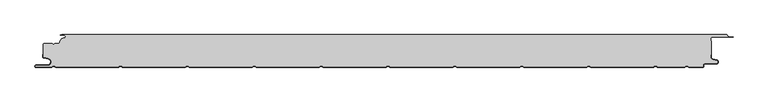
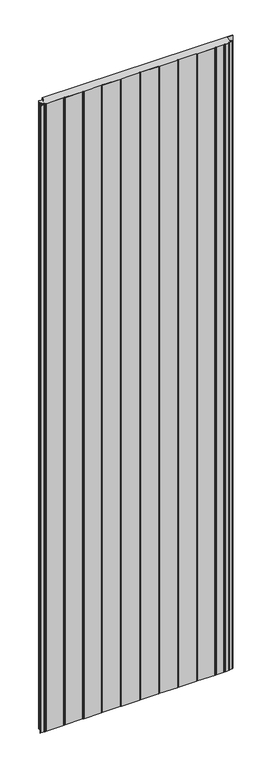
"""IFC4 building model written with IfcOpenShell, lengths in millimetres: plate geometry."""

from ifc_helpers import new_model, si_unit, point, frame, frame_2d, origin, origin_with_axes, place, context, project, spatial, polyline, circle_curve, trimmed, segment, composite_curve, outline, extrude, source, transform, mapped, element, save
from ifc_brep_helpers import plane_surface, cylinder_surface, revolved_surface, advanced_brep


def plate_092382ad(model_context):
    return source(origin(), model_context, "Body", "SolidModel", [
        advanced_brep(
        [(523.8595905, -2.0325427, 3500.0), (522.5460884, -0.8, 3500.0), (-471.6637731, -0.8, 3500.0), (-474.0000003, -1.3234618, 3500.0), (-468.0000003, -1.3234618, 3500.0), (-468.1134423, -5.9206625, 3500.0), (-474.1919837, -12.028303, 3500.0), (-476.0000003, -13.9234618, 3500.0), (-482.1686293, -13.9234618, 3500.0), (-484.0000002, -15.7548327, 3500.0), (-485.831371, -13.9234618, 3500.0), (-497.4, -13.9234618, 3500.0), (-499.2, -15.7234618, 3500.0), (-499.2, -34.0038437, 3500.0), (-498.2083778, -35.185613, 3500.0), (-491.7622998, -36.3222305, 3500.0), (-492.7, -47.0401924, 3500.0), (-509.7, -47.0401924, 3500.0), (-509.7, -49.2401924, 3500.0), (-486.6751286, -49.2401924, 3500.0), (-484.45, -47.9555137, 3500.0), (-482.7606357, -47.9494241, 3500.0), (-480.4557934, -49.2, 3500.0), (-386.6055134, -49.2, 3500.0), (-384.45, -47.9555137, 3500.0), (-382.7606357, -47.9494241, 3500.0), (-380.4557934, -49.2, 3500.0), (-286.6055134, -49.2, 3500.0), (-284.45, -47.9555137, 3500.0), (-282.7606357, -47.9494242, 3500.0), (-280.4557934, -49.2, 3500.0), (-186.6055134, -49.2, 3500.0), (-184.45, -47.9555137, 3500.0), (-182.7606357, -47.9494242, 3500.0), (-180.4557934, -49.2, 3500.0), (-86.6055134, -49.2, 3500.0), (-84.45, -47.9555137, 3500.0), (-82.7606357, -47.9494242, 3500.0), (-80.4557934, -49.2, 3500.0), (13.3944866, -49.2, 3500.0), (15.55, -47.9555137, 3500.0), (17.2393643, -47.9494242, 3500.0), (19.5442066, -49.2, 3500.0), (113.3944866, -49.2, 3500.0), (115.55, -47.9555137, 3500.0), (117.2393643, -47.9494242, 3500.0), (119.5442066, -49.2, 3500.0), (213.3944866, -49.2, 3500.0), (215.55, -47.9555137, 3500.0), (217.2393643, -47.9494242, 3500.0), (219.5442066, -49.2, 3500.0), (313.3944866, -49.2, 3500.0), (315.55, -47.9555137, 3500.0), (317.2393643, -47.9494242, 3500.0), (319.5442066, -49.2, 3500.0), (413.3944866, -49.2, 3500.0), (415.55, -47.9555138, 3500.0), (417.2393643, -47.9494242, 3500.0), (419.5442066, -49.2000001, 3500.0), (460.2243041, -49.2000001, 3500.0), (462.3798174, -47.9555138, 3500.0), (464.0741626, -47.9522634, 3500.0), (466.3793035, -49.2401924, 3500.0), (487.0105556, -49.2401924, 3500.0), (487.6105556, -48.6401924, 3500.0), (487.6105556, -47.2401924, 3500.0), (491.0105556, -43.8401924, 3500.0), (507.5, -43.8401924, 3500.0), (507.9948923, -39.4965783, 3500.0), (501.8351664, -38.0744935, 3500.0), (499.2, -34.7616353, 3500.0), (499.2, -30.6401924, 3500.0), (500.0, -30.6401924, 3500.0), (500.0, -10.3245382, 3500.0), (499.2, -10.3245382, 3500.0), (499.2, -6.8245382, 3500.0), (502.0, -4.0245382, 3500.0), (532.5, -4.0245382, 3500.0), (525.8912786, -3.5911794, 3500.0), (523.8595905, -2.0325427, 0.0), (525.8912786, -3.5911794, 0.0), (532.5, -4.0245382, 0.0), (502.0, -4.0245382, 0.0), (499.2, -6.8245382, 0.0), (499.2, -10.3245382, 0.0), (500.0, -10.3245382, 0.0), (500.0, -30.6401924, 0.0), (499.2, -30.6401924, 0.0), (499.2, -34.7616353, 0.0), (501.8351664, -38.0744935, 0.0), (507.9948923, -39.4965783, 0.0), (507.5, -43.8401924, 0.0), (491.0105556, -43.8401924, 0.0), (487.6105556, -47.2401924, 0.0), (487.6105556, -48.6401924, 0.0), (487.0105556, -49.2401924, 0.0), (466.3793035, -49.2401924, 0.0), (464.0741626, -47.9522634, 0.0), (462.3798174, -47.9555138, 0.0), (460.2243041, -49.2000001, 0.0), (419.5442066, -49.2000001, 0.0), (417.2393643, -47.9494242, 0.0), (415.55, -47.9555138, 0.0), (413.3944866, -49.2, 0.0), (319.5442066, -49.2, 0.0), (317.2393643, -47.9494242, 0.0), (315.55, -47.9555137, 0.0), (313.3944866, -49.2, 0.0), (219.5442066, -49.2, 0.0), (217.2393643, -47.9494242, 0.0), (215.55, -47.9555137, 0.0), (213.3944866, -49.2, 0.0), (119.5442066, -49.2, 0.0), (117.2393643, -47.9494242, 0.0), (115.55, -47.9555137, 0.0), (113.3944866, -49.2, 0.0), (19.5442066, -49.2, 0.0), (17.2393643, -47.9494242, 0.0), (15.55, -47.9555137, 0.0), (13.3944866, -49.2, 0.0), (-80.4557934, -49.2, 0.0), (-82.7606357, -47.9494242, 0.0), (-84.45, -47.9555137, 0.0), (-86.6055134, -49.2, 0.0), (-180.4557934, -49.2, 0.0), (-182.7606357, -47.9494242, 0.0), (-184.45, -47.9555137, 0.0), (-186.6055134, -49.2, 0.0), (-280.4557934, -49.2, 0.0), (-282.7606357, -47.9494242, 0.0), (-284.45, -47.9555137, 0.0), (-286.6055134, -49.2, 0.0), (-380.4557934, -49.2, 0.0), (-382.7606357, -47.9494241, 0.0), (-384.45, -47.9555137, 0.0), (-386.6055134, -49.2, 0.0), (-480.4557934, -49.2, 0.0), (-482.7606357, -47.9494241, 0.0), (-484.45, -47.9555137, 0.0), (-486.6751286, -49.2401924, 0.0), (-509.7, -49.2401924, 0.0), (-509.7, -47.0401924, 0.0), (-492.7, -47.0401924, 0.0), (-491.7622998, -36.3222305, 0.0), (-498.2083778, -35.185613, 0.0), (-499.2, -34.0038437, 0.0), (-499.2, -15.7234618, 0.0), (-497.4, -13.9234618, 0.0), (-485.831371, -13.9234618, 0.0), (-484.0000002, -15.7548327, 0.0), (-482.1686293, -13.9234618, 0.0), (-476.0000003, -13.9234618, 0.0), (-474.2024882, -12.0288559, 0.0), (-468.1139291, -5.930521, 0.0), (-468.0000003, -1.3234618, 0.0), (-474.0000003, -1.3234618, 0.0), (-471.6637731, -0.8, 0.0), (522.5460884, -0.8, 0.0)],
        [
            (0, 1, circle_curve(frame((522.5460884, -2.116161, 3500.0), z_axis=(0.0, 0.0, 1.0), x_axis=(1.0, 0.0, 0.0)), 1.316161)),
            (1, 2),
            (2, 3),
            (3, 4),
            (4, 5, circle_curve(frame((-468.0000003, -3.6234618, 3500.0), z_axis=(0.0, 0.0, -1.0), x_axis=(1.0, 0.0, 0.0)), 2.3)),
            (5, 6, circle_curve(frame((-468.4000003, -11.7234618, 3500.0), z_axis=(0.0, 0.0, 1.0), x_axis=(1.0, 0.0, 0.0)), 5.8)),
            (6, 7, circle_curve(frame((-476.0000003, -12.1234618, 3500.0), z_axis=(0.0, 0.0, -1.0), x_axis=(1.0, 0.0, 0.0)), 1.8)),
            (7, 8),
            (8, 9),
            (9, 10),
            (10, 11),
            (11, 12, circle_curve(frame((-497.4, -15.7234618, 3500.0), z_axis=(0.0, 0.0, 1.0), x_axis=(1.0, 0.0, 0.0)), 1.8)),
            (12, 13),
            (13, 14, circle_curve(frame((-498.0, -34.0038437, 3500.0), z_axis=(0.0, 0.0, 1.0), x_axis=(1.0, 0.0, 0.0)), 1.2)),
            (14, 15),
            (15, 16, circle_curve(frame((-492.7, -41.6401924, 3500.0), z_axis=(0.0, 0.0, -1.0), x_axis=(1.0, 0.0, 0.0)), 5.4)),
            (16, 17),
            (17, 18, circle_curve(frame((-509.7, -48.1401924, 3500.0), z_axis=(0.0, 0.0, 1.0), x_axis=(1.0, 0.0, 0.0)), 1.1)),
            (18, 19),
            (19, 20),
            (20, 21, circle_curve(frame((-483.6, -49.4277569, 3500.0), z_axis=(0.0, 0.0, -1.0), x_axis=(1.0, 0.0, 0.0)), 1.7)),
            (21, 22),
            (22, 23),
            (23, 24),
            (24, 25, circle_curve(frame((-383.6, -49.4277569, 3500.0), z_axis=(0.0, 0.0, -1.0), x_axis=(1.0, 0.0, 0.0)), 1.7)),
            (25, 26),
            (26, 27),
            (27, 28),
            (28, 29, circle_curve(frame((-283.6, -49.4277569, 3500.0), z_axis=(0.0, 0.0, -1.0), x_axis=(1.0, 0.0, 0.0)), 1.7)),
            (29, 30),
            (30, 31),
            (31, 32),
            (32, 33, circle_curve(frame((-183.6, -49.4277569, 3500.0), z_axis=(0.0, 0.0, -1.0), x_axis=(1.0, 0.0, 0.0)), 1.7)),
            (33, 34),
            (34, 35),
            (35, 36),
            (36, 37, circle_curve(frame((-83.6, -49.4277569, 3500.0), z_axis=(0.0, 0.0, -1.0), x_axis=(1.0, 0.0, 0.0)), 1.7)),
            (37, 38),
            (38, 39),
            (39, 40),
            (40, 41, circle_curve(frame((16.4, -49.4277569, 3500.0), z_axis=(0.0, 0.0, -1.0), x_axis=(1.0, 0.0, 0.0)), 1.7)),
            (41, 42),
            (42, 43),
            (43, 44),
            (44, 45, circle_curve(frame((116.4, -49.4277569, 3500.0), z_axis=(0.0, 0.0, -1.0), x_axis=(1.0, 0.0, 0.0)), 1.7)),
            (45, 46),
            (46, 47),
            (47, 48),
            (48, 49, circle_curve(frame((216.4, -49.4277569, 3500.0), z_axis=(0.0, 0.0, -1.0), x_axis=(1.0, 0.0, 0.0)), 1.7)),
            (49, 50),
            (50, 51),
            (51, 52),
            (52, 53, circle_curve(frame((316.4, -49.4277569, 3500.0), z_axis=(0.0, 0.0, -1.0), x_axis=(1.0, 0.0, 0.0)), 1.7)),
            (53, 54),
            (54, 55),
            (55, 56),
            (56, 57, circle_curve(frame((416.4, -49.4277569, 3500.0), z_axis=(0.0, 0.0, -1.0), x_axis=(1.0, 0.0, 0.0)), 1.7)),
            (57, 58),
            (58, 59),
            (59, 60),
            (60, 61, circle_curve(frame((463.2298174, -49.4277569, 3500.0), z_axis=(0.0, 0.0, -1.0), x_axis=(1.0, 0.0, 0.0)), 1.7)),
            (61, 62),
            (62, 63),
            (63, 64, circle_curve(frame((487.0105556, -48.6401924, 3500.0), z_axis=(0.0, 0.0, 1.0), x_axis=(1.0, 0.0, 0.0)), 0.6)),
            (64, 65),
            (65, 66, circle_curve(frame((491.0105556, -47.2401924, 3500.0), z_axis=(0.0, 0.0, -1.0), x_axis=(1.0, 0.0, 0.0)), 3.4)),
            (66, 67),
            (67, 68, circle_curve(frame((507.5, -41.6401924, 3500.0), z_axis=(0.0, 0.0, 1.0), x_axis=(1.0, 0.0, 0.0)), 2.2)),
            (68, 69),
            (69, 70, circle_curve(frame((502.6, -34.7616353, 3500.0), z_axis=(0.0, 0.0, -1.0), x_axis=(1.0, 0.0, 0.0)), 3.4)),
            (70, 71),
            (71, 72),
            (72, 73),
            (73, 74),
            (74, 75),
            (75, 76, circle_curve(frame((502.0, -6.8245382, 3500.0), z_axis=(0.0, 0.0, -1.0), x_axis=(1.0, 0.0, 0.0)), 2.8)),
            (76, 77),
            (77, 78),
            (78, 0, circle_curve(frame((525.5561562, -1.9245382, 3500.0), z_axis=(0.0, 0.0, -1.0), x_axis=(1.0, 0.0, 0.0)), 1.7)),
            (79, 80, circle_curve(frame((525.5561562, -1.9245382, 0.0), z_axis=(0.0, 0.0, 1.0), x_axis=(1.0, 0.0, 0.0)), 1.7)),
            (80, 81),
            (81, 82),
            (82, 83, circle_curve(frame((502.0, -6.8245382, 0.0), z_axis=(0.0, 0.0, 1.0), x_axis=(1.0, 0.0, 0.0)), 2.8)),
            (83, 84),
            (84, 85),
            (85, 86),
            (86, 87),
            (87, 88),
            (88, 89, circle_curve(frame((502.6, -34.7616353, 0.0), z_axis=(0.0, 0.0, 1.0), x_axis=(1.0, 0.0, 0.0)), 3.4)),
            (89, 90),
            (90, 91, circle_curve(frame((507.5, -41.6401924, 0.0), z_axis=(0.0, 0.0, -1.0), x_axis=(1.0, 0.0, 0.0)), 2.2)),
            (91, 92),
            (92, 93, circle_curve(frame((491.0105556, -47.2401924, 0.0), z_axis=(0.0, 0.0, 1.0), x_axis=(1.0, 0.0, 0.0)), 3.4)),
            (93, 94),
            (94, 95, circle_curve(frame((487.0105556, -48.6401924, 0.0), z_axis=(0.0, 0.0, -1.0), x_axis=(1.0, 0.0, 0.0)), 0.6)),
            (95, 96),
            (96, 97),
            (97, 98, circle_curve(frame((463.2298174, -49.4277569, 0.0), z_axis=(0.0, 0.0, 1.0), x_axis=(1.0, 0.0, 0.0)), 1.7)),
            (98, 99),
            (99, 100),
            (100, 101),
            (101, 102, circle_curve(frame((416.4, -49.4277569, 0.0), z_axis=(0.0, 0.0, 1.0), x_axis=(1.0, 0.0, 0.0)), 1.7)),
            (102, 103),
            (103, 104),
            (104, 105),
            (105, 106, circle_curve(frame((316.4, -49.4277569, 0.0), z_axis=(0.0, 0.0, 1.0), x_axis=(1.0, 0.0, 0.0)), 1.7)),
            (106, 107),
            (107, 108),
            (108, 109),
            (109, 110, circle_curve(frame((216.4, -49.4277569, 0.0), z_axis=(0.0, 0.0, 1.0), x_axis=(1.0, 0.0, 0.0)), 1.7)),
            (110, 111),
            (111, 112),
            (112, 113),
            (113, 114, circle_curve(frame((116.4, -49.4277569, 0.0), z_axis=(0.0, 0.0, 1.0), x_axis=(1.0, 0.0, 0.0)), 1.7)),
            (114, 115),
            (115, 116),
            (116, 117),
            (117, 118, circle_curve(frame((16.4, -49.4277569, 0.0), z_axis=(0.0, 0.0, 1.0), x_axis=(1.0, 0.0, 0.0)), 1.7)),
            (118, 119),
            (119, 120),
            (120, 121),
            (121, 122, circle_curve(frame((-83.6, -49.4277569, 0.0), z_axis=(0.0, 0.0, 1.0), x_axis=(1.0, 0.0, 0.0)), 1.7)),
            (122, 123),
            (123, 124),
            (124, 125),
            (125, 126, circle_curve(frame((-183.6, -49.4277569, 0.0), z_axis=(0.0, 0.0, 1.0), x_axis=(1.0, 0.0, 0.0)), 1.7)),
            (126, 127),
            (127, 128),
            (128, 129),
            (129, 130, circle_curve(frame((-283.6, -49.4277569, 0.0), z_axis=(0.0, 0.0, 1.0), x_axis=(1.0, 0.0, 0.0)), 1.7)),
            (130, 131),
            (131, 132),
            (132, 133),
            (133, 134, circle_curve(frame((-383.6, -49.4277569, 0.0), z_axis=(0.0, 0.0, 1.0), x_axis=(1.0, 0.0, 0.0)), 1.7)),
            (134, 135),
            (135, 136),
            (136, 137),
            (137, 138, circle_curve(frame((-483.6, -49.4277569, 0.0), z_axis=(0.0, 0.0, 1.0), x_axis=(1.0, 0.0, 0.0)), 1.7)),
            (138, 139),
            (139, 140),
            (140, 141, circle_curve(frame((-509.7, -48.1401924, 0.0), z_axis=(0.0, 0.0, -1.0), x_axis=(1.0, 0.0, 0.0)), 1.1)),
            (141, 142),
            (142, 143, circle_curve(frame((-492.7, -41.6401924, 0.0), z_axis=(0.0, 0.0, 1.0), x_axis=(1.0, 0.0, 0.0)), 5.4)),
            (143, 144),
            (144, 145, circle_curve(frame((-498.0, -34.0038437, 0.0), z_axis=(0.0, 0.0, -1.0), x_axis=(1.0, 0.0, 0.0)), 1.2)),
            (145, 146),
            (146, 147, circle_curve(frame((-497.4, -15.7234618, 0.0), z_axis=(0.0, 0.0, -1.0), x_axis=(1.0, 0.0, 0.0)), 1.8)),
            (147, 148),
            (148, 149),
            (149, 150),
            (150, 151),
            (151, 152, circle_curve(frame((-476.0000003, -12.1234618, 0.0), z_axis=(0.0, 0.0, 1.0), x_axis=(1.0, 0.0, 0.0)), 1.8)),
            (152, 153, circle_curve(frame((-468.4000003, -11.7234618, 0.0), z_axis=(0.0, 0.0, -1.0), x_axis=(1.0, 0.0, 0.0)), 5.8)),
            (153, 154, circle_curve(frame((-468.0000003, -3.6234618, 0.0), z_axis=(0.0, 0.0, 1.0), x_axis=(1.0, 0.0, 0.0)), 2.3)),
            (154, 155),
            (155, 156),
            (156, 157),
            (157, 79, circle_curve(frame((522.5460884, -2.116161, 0.0), z_axis=(0.0, 0.0, -1.0), x_axis=(1.0, 0.0, 0.0)), 1.316161)),
            (0, 79),
            (157, 1),
            (156, 2),
            (155, 3),
            (154, 4),
            (153, 5),
            (152, 6),
            (151, 7),
            (150, 8),
            (149, 9),
            (148, 10),
            (147, 11),
            (146, 12),
            (145, 13),
            (144, 14),
            (143, 15),
            (142, 16),
            (141, 17),
            (140, 18),
            (139, 19),
            (138, 20),
            (137, 21),
            (136, 22),
            (135, 23),
            (134, 24),
            (133, 25),
            (132, 26),
            (131, 27),
            (130, 28),
            (129, 29),
            (128, 30),
            (127, 31),
            (126, 32),
            (125, 33),
            (124, 34),
            (123, 35),
            (122, 36),
            (121, 37),
            (120, 38),
            (119, 39),
            (118, 40),
            (117, 41),
            (116, 42),
            (115, 43),
            (114, 44),
            (113, 45),
            (112, 46),
            (111, 47),
            (110, 48),
            (109, 49),
            (108, 50),
            (107, 51),
            (106, 52),
            (105, 53),
            (104, 54),
            (103, 55),
            (102, 56),
            (101, 57),
            (100, 58),
            (99, 59),
            (98, 60),
            (97, 61),
            (96, 62),
            (95, 63),
            (94, 64),
            (93, 65),
            (92, 66),
            (91, 67),
            (90, 68),
            (89, 69),
            (88, 70),
            (87, 71),
            (86, 72),
            (85, 73),
            (84, 74),
            (83, 75),
            (82, 76),
            (81, 77),
            (80, 78),
        ],
        [
            plane_surface(frame((-500.0, -50.0, 3500.0), z_axis=(0.0, 0.0, 1.0), x_axis=(0.0, 1.0, 0.0))),
            plane_surface(frame((-500.0, -50.0, 0.0), z_axis=(0.0, 0.0, -1.0), x_axis=(0.0, 1.0, 0.0))),
            cylinder_surface(frame((522.5460884, -2.116161, 3500.0), z_axis=(0.0, 0.0, 1.0), x_axis=(1.0, 0.0, 0.0)), 1.316161),
            plane_surface(frame((522.5460884, -0.8, 3500.0), z_axis=(0.0, 1.0, 0.0), x_axis=(0.0, 0.0, -1.0))),
            plane_surface(frame((-471.6637731, -0.8, 3500.0), z_axis=(-0.21864173282830476, 0.9758052022129398, 0.0), x_axis=(0.0, 0.0, -1.0))),
            plane_surface(frame((-474.0000003, -1.3234618, 3500.0), z_axis=(0.0, -1.0, 0.0), x_axis=(0.0, 0.0, -1.0))),
            revolved_surface(polyline([(-465.7000003, -3.6234618, 0.0), (-465.7000003, -3.6234618, 3500.0)]), (-468.0000003, -3.6234618, 3500.0), (0.0, 0.0, -1.0)),
            cylinder_surface(frame((-468.4000003, -11.7234618, 3500.0), z_axis=(0.0, 0.0, 1.0), x_axis=(1.0, 0.0, 0.0)), 5.8),
            revolved_surface(polyline([(-474.2000003, -12.1234618, 0.0), (-474.2000003, -12.1234618, 3500.0)]), (-476.0000003, -12.1234618, 3500.0), (0.0, 0.0, -1.0)),
            plane_surface(frame((-476.0000003, -13.9234618, 3500.0), z_axis=(0.0, 1.0, 0.0), x_axis=(0.0, 0.0, -1.0))),
            plane_surface(frame((-482.1686293, -13.9234618, 3500.0), z_axis=(-0.7071067810231778, 0.7071067813499173, 0.0), x_axis=(0.0, 0.0, -1.0))),
            plane_surface(frame((-484.0000002, -15.7548327, 3500.0), z_axis=(0.7071067813499173, 0.7071067810231778, 0.0), x_axis=(0.0, 0.0, -1.0))),
            plane_surface(frame((-485.831371, -13.9234618, 3500.0), z_axis=(0.0, 1.0, 0.0), x_axis=(0.0, 0.0, -1.0))),
            cylinder_surface(frame((-497.4, -15.7234618, 3500.0), z_axis=(0.0, 0.0, 1.0), x_axis=(1.0, 0.0, 0.0)), 1.8),
            plane_surface(frame((-499.2, -17.1226667, 3500.0), z_axis=(-1.0, 0.0, 0.0), x_axis=(0.0, 0.0, -1.0))),
            cylinder_surface(frame((-498.0, -34.0038437, 3500.0), z_axis=(0.0, 0.0, 1.0), x_axis=(1.0, 0.0, 0.0)), 1.2),
            plane_surface(frame((-498.2083778, -35.185613, 3500.0), z_axis=(-0.1736481776669248, -0.984807753012209, 0.0), x_axis=(0.0, 0.0, -1.0))),
            revolved_surface(polyline([(-487.3, -41.6401924, 0.0), (-487.3, -41.6401924, 3500.0)]), (-492.7, -41.6401924, 3500.0), (0.0, 0.0, -1.0)),
            plane_surface(frame((-492.7, -47.0401924, 3500.0), z_axis=(0.0, 1.0, 0.0), x_axis=(0.0, 0.0, -1.0))),
            cylinder_surface(frame((-509.7, -48.1401924, 3500.0), z_axis=(0.0, 0.0, 1.0), x_axis=(1.0, 0.0, 0.0)), 1.1),
            plane_surface(frame((-509.7, -49.2401924, 3500.0), z_axis=(0.0, -1.0, 0.0), x_axis=(0.0, 0.0, -1.0))),
            plane_surface(frame((-486.6751286, -49.2401924, 3500.0), z_axis=(0.5000000299311667, -0.8660253865036709, 0.0), x_axis=(0.0, 0.0, -1.0))),
            revolved_surface(polyline([(-481.90000000000003, -49.4277569, 0.0), (-481.90000000000003, -49.4277569, 3500.0)]), (-483.6, -49.4277569, 3500.0), (0.0, 0.0, -1.0)),
            plane_surface(frame((-482.7606357, -47.9494241, 3500.0), z_axis=(-0.47690797328217005, -0.878953232555574, 0.0), x_axis=(0.0, 0.0, -1.0))),
            plane_surface(frame((-480.4557934, -49.2, 3500.0), z_axis=(0.0, -1.0, 0.0), x_axis=(0.0, 0.0, -1.0))),
            plane_surface(frame((-386.6055134, -49.2, 3500.0), z_axis=(0.5000000299307237, -0.8660253865039267, 0.0), x_axis=(0.0, 0.0, -1.0))),
            revolved_surface(polyline([(-381.90000000000003, -49.4277569, 0.0), (-381.90000000000003, -49.4277569, 3500.0)]), (-383.6, -49.4277569, 3500.0), (0.0, 0.0, -1.0)),
            plane_surface(frame((-382.7606357, -47.9494241, 3500.0), z_axis=(-0.4769079732821666, -0.8789532325555759, 0.0), x_axis=(0.0, 0.0, -1.0))),
            plane_surface(frame((-380.4557934, -49.2, 3500.0), z_axis=(0.0, -1.0, 0.0), x_axis=(0.0, 0.0, -1.0))),
            plane_surface(frame((-286.6055134, -49.2, 3500.0), z_axis=(0.5000000299311692, -0.8660253865036693, 0.0), x_axis=(0.0, 0.0, -1.0))),
            revolved_surface(polyline([(-281.90000000000003, -49.4277569, 0.0), (-281.90000000000003, -49.4277569, 3500.0)]), (-283.6, -49.4277569, 3500.0), (0.0, 0.0, -1.0)),
            plane_surface(frame((-282.7606357, -47.9494242, 3500.0), z_axis=(-0.4769079732821966, -0.8789532325555597, 0.0), x_axis=(0.0, 0.0, -1.0))),
            plane_surface(frame((-280.4557934, -49.2, 3500.0), z_axis=(0.0, -1.0, 0.0), x_axis=(0.0, 0.0, -1.0))),
            plane_surface(frame((-186.6055134, -49.2, 3500.0), z_axis=(0.5000000299307252, -0.8660253865039258, 0.0), x_axis=(0.0, 0.0, -1.0))),
            revolved_surface(polyline([(-181.9, -49.4277569, 0.0), (-181.9, -49.4277569, 3500.0)]), (-183.6, -49.4277569, 3500.0), (0.0, 0.0, -1.0)),
            plane_surface(frame((-182.7606357, -47.9494242, 3500.0), z_axis=(-0.4769079732823461, -0.8789532325554785, 0.0), x_axis=(0.0, 0.0, -1.0))),
            plane_surface(frame((-180.4557934, -49.2, 3500.0), z_axis=(0.0, -1.0, 0.0), x_axis=(0.0, 0.0, -1.0))),
            plane_surface(frame((-86.6055134, -49.2, 3500.0), z_axis=(0.5000000299313181, -0.8660253865035835, 0.0), x_axis=(0.0, 0.0, -1.0))),
            revolved_surface(polyline([(-81.89999999999999, -49.4277569, 0.0), (-81.89999999999999, -49.4277569, 3500.0)]), (-83.6, -49.4277569, 3500.0), (0.0, 0.0, -1.0)),
            plane_surface(frame((-82.7606357, -47.9494242, 3500.0), z_axis=(-0.4769079732823407, -0.8789532325554815, 0.0), x_axis=(0.0, 0.0, -1.0))),
            plane_surface(frame((-80.4557934, -49.2, 3500.0), z_axis=(0.0, -1.0, 0.0), x_axis=(0.0, 0.0, -1.0))),
            plane_surface(frame((13.3944866, -49.2, 3500.0), z_axis=(0.500000029930723, -0.866025386503927, 0.0), x_axis=(0.0, 0.0, -1.0))),
            revolved_surface(polyline([(18.099999999999998, -49.4277569, 0.0), (18.099999999999998, -49.4277569, 3500.0)]), (16.4, -49.4277569, 3500.0), (0.0, 0.0, -1.0)),
            plane_surface(frame((17.2393643, -47.9494242, 3500.0), z_axis=(-0.4769079732822356, -0.8789532325555385, 0.0), x_axis=(0.0, 0.0, -1.0))),
            plane_surface(frame((19.5442066, -49.2, 3500.0), z_axis=(0.0, -1.0, 0.0), x_axis=(0.0, 0.0, -1.0))),
            plane_surface(frame((113.3944866, -49.2, 3500.0), z_axis=(0.5000000299311671, -0.8660253865036706, 0.0), x_axis=(0.0, 0.0, -1.0))),
            revolved_surface(polyline([(118.10000000000001, -49.4277569, 0.0), (118.10000000000001, -49.4277569, 3500.0)]), (116.4, -49.4277569, 3500.0), (0.0, 0.0, -1.0)),
            plane_surface(frame((117.2393643, -47.9494242, 3500.0), z_axis=(-0.4769079732821772, -0.8789532325555701, 0.0), x_axis=(0.0, 0.0, -1.0))),
            plane_surface(frame((119.5442066, -49.2, 3500.0), z_axis=(0.0, -1.0, 0.0), x_axis=(0.0, 0.0, -1.0))),
            plane_surface(frame((213.3944866, -49.2, 3500.0), z_axis=(0.5000000299307268, -0.8660253865039248, 0.0), x_axis=(0.0, 0.0, -1.0))),
            revolved_surface(polyline([(218.1, -49.4277569, 0.0), (218.1, -49.4277569, 3500.0)]), (216.4, -49.4277569, 3500.0), (0.0, 0.0, -1.0)),
            plane_surface(frame((217.2393643, -47.9494242, 3500.0), z_axis=(-0.4769079732821906, -0.8789532325555629, 0.0), x_axis=(0.0, 0.0, -1.0))),
            plane_surface(frame((219.5442066, -49.2, 3500.0), z_axis=(0.0, -1.0, 0.0), x_axis=(0.0, 0.0, -1.0))),
            plane_surface(frame((313.3944866, -49.2, 3500.0), z_axis=(0.5000000299311079, -0.8660253865037049, 0.0), x_axis=(0.0, 0.0, -1.0))),
            revolved_surface(polyline([(318.09999999999997, -49.4277569, 0.0), (318.09999999999997, -49.4277569, 3500.0)]), (316.4, -49.4277569, 3500.0), (0.0, 0.0, -1.0)),
            plane_surface(frame((317.2393643, -47.9494242, 3500.0), z_axis=(-0.476907973282159, -0.8789532325555801, 0.0), x_axis=(0.0, 0.0, -1.0))),
            plane_surface(frame((319.5442066, -49.2, 3500.0), z_axis=(0.0, -1.0, 0.0), x_axis=(0.0, 0.0, -1.0))),
            plane_surface(frame((413.3944866, -49.2, 3500.0), z_axis=(0.5000000299307292, -0.8660253865039235, 0.0), x_axis=(0.0, 0.0, -1.0))),
            revolved_surface(polyline([(418.09999999999997, -49.4277569, 0.0), (418.09999999999997, -49.4277569, 3500.0)]), (416.4, -49.4277569, 3500.0), (0.0, 0.0, -1.0)),
            plane_surface(frame((417.2393643, -47.9494242, 3500.0), z_axis=(-0.47690797328237156, -0.8789532325554646, 0.0), x_axis=(0.0, 0.0, -1.0))),
            plane_surface(frame((419.5442066, -49.2000001, 3500.0), z_axis=(0.0, -1.0, 0.0), x_axis=(0.0, 0.0, -1.0))),
            plane_surface(frame((460.2243041, -49.2000001, 3500.0), z_axis=(0.5000000299306834, -0.86602538650395, 0.0), x_axis=(0.0, 0.0, -1.0))),
            revolved_surface(polyline([(464.9298174, -49.4277569, 0.0), (464.9298174, -49.4277569, 3500.0)]), (463.2298174, -49.4277569, 3500.0), (0.0, 0.0, -1.0)),
            plane_surface(frame((464.0741626, -47.9522634, 3500.0), z_axis=(-0.48775269747067673, -0.8729818475260975, 0.0), x_axis=(0.0, 0.0, -1.0))),
            plane_surface(frame((466.3793035, -49.2401924, 3500.0), z_axis=(0.0, -1.0, 0.0), x_axis=(0.0, 0.0, -1.0))),
            cylinder_surface(frame((487.0105556, -48.6401924, 3500.0), z_axis=(0.0, 0.0, 1.0), x_axis=(1.0, 0.0, 0.0)), 0.6),
            plane_surface(frame((487.6105556, -48.6401924, 3500.0), z_axis=(1.0, 0.0, 0.0), x_axis=(0.0, 0.0, -1.0))),
            revolved_surface(polyline([(494.41055559999995, -47.2401924, 0.0), (494.41055559999995, -47.2401924, 3500.0)]), (491.0105556, -47.2401924, 3500.0), (0.0, 0.0, -1.0)),
            plane_surface(frame((491.0105556, -43.8401924, 3500.0), z_axis=(0.0, -1.0, 0.0), x_axis=(0.0, 0.0, -1.0))),
            cylinder_surface(frame((507.5, -41.6401924, 3500.0), z_axis=(0.0, 0.0, 1.0), x_axis=(1.0, 0.0, 0.0)), 2.2),
            plane_surface(frame((507.9948923, -39.4965783, 3500.0), z_axis=(0.22495105434371662, 0.9743700647852696, 0.0), x_axis=(0.0, 0.0, -1.0))),
            revolved_surface(polyline([(506.0, -34.7616353, 0.0), (506.0, -34.7616353, 3500.0)]), (502.6, -34.7616353, 3500.0), (0.0, 0.0, -1.0)),
            plane_surface(frame((499.2, -34.7616353, 3500.0), z_axis=(1.0, 0.0, 0.0), x_axis=(0.0, 0.0, -1.0))),
            plane_surface(frame((499.2, -30.6401924, 3500.0), z_axis=(0.0, -1.0, 0.0), x_axis=(0.0, 0.0, -1.0))),
            plane_surface(frame((500.0, -30.6401924, 3500.0), z_axis=(1.0, 0.0, 0.0), x_axis=(0.0, 0.0, -1.0))),
            plane_surface(frame((500.0, -10.3245382, 3500.0), z_axis=(0.0, 1.0, 0.0), x_axis=(0.0, 0.0, -1.0))),
            plane_surface(frame((499.2, -10.3245382, 3500.0), z_axis=(1.0, 0.0, 0.0), x_axis=(0.0, 0.0, -1.0))),
            revolved_surface(polyline([(504.8, -6.8245382, 0.0), (504.8, -6.8245382, 3500.0)]), (502.0, -6.8245382, 3500.0), (0.0, 0.0, -1.0)),
            plane_surface(frame((502.0, -4.0245382, 3500.0), z_axis=(0.0, -1.0, 0.0), x_axis=(0.0, 0.0, -1.0))),
            plane_surface(frame((532.5, -4.0245382, 3500.0), z_axis=(0.06543324256082143, 0.9978569490503019, 0.0), x_axis=(0.0, 0.0, -1.0))),
            revolved_surface(polyline([(527.2561562000001, -1.9245382, 0.0), (527.2561562000001, -1.9245382, 3500.0)]), (525.5561562, -1.9245382, 3500.0), (0.0, 0.0, -1.0)),
        ],
        [
            (0, [[1, 2, 3, 4, 5, 6, 7, 8, 9, 10, 11, 12, 13, 14, 15, 16, 17, 18, 19, 20, 21, 22, 23, 24, 25, 26, 27, 28, 29, 30, 31, 32, 33, 34, 35, 36, 37, 38, 39, 40, 41, 42, 43, 44, 45, 46, 47, 48, 49, 50, 51, 52, 53, 54, 55, 56, 57, 58, 59, 60, 61, 62, 63, 64, 65, 66, 67, 68, 69, 70, 71, 72, 73, 74, 75, 76, 77, 78, 79]]),
            (1, [[80, 81, 82, 83, 84, 85, 86, 87, 88, 89, 90, 91, 92, 93, 94, 95, 96, 97, 98, 99, 100, 101, 102, 103, 104, 105, 106, 107, 108, 109, 110, 111, 112, 113, 114, 115, 116, 117, 118, 119, 120, 121, 122, 123, 124, 125, 126, 127, 128, 129, 130, 131, 132, 133, 134, 135, 136, 137, 138, 139, 140, 141, 142, 143, 144, 145, 146, 147, 148, 149, 150, 151, 152, 153, 154, 155, 156, 157, 158]]),
            (2, [[-1, 159, -158, 160]]),
            (3, [[-2, -160, -157, 161]]),
            (4, [[-3, -161, -156, 162]]),
            (5, [[-4, -162, -155, 163]]),
            (6, [[-5, -163, -154, 164]]),
            (7, [[-6, -164, -153, 165]]),
            (8, [[-7, -165, -152, 166]]),
            (9, [[-8, -166, -151, 167]]),
            (10, [[-9, -167, -150, 168]]),
            (11, [[-10, -168, -149, 169]]),
            (12, [[-11, -169, -148, 170]]),
            (13, [[-12, -170, -147, 171]]),
            (14, [[-171, -146, 172, -13]]),
            (15, [[-14, -172, -145, 173]]),
            (16, [[-15, -173, -144, 174]]),
            (17, [[-16, -174, -143, 175]]),
            (18, [[-17, -175, -142, 176]]),
            (19, [[-18, -176, -141, 177]]),
            (20, [[-19, -177, -140, 178]]),
            (21, [[-20, -178, -139, 179]]),
            (22, [[-21, -179, -138, 180]]),
            (23, [[-22, -180, -137, 181]]),
            (24, [[-23, -181, -136, 182]]),
            (25, [[-24, -182, -135, 183]]),
            (26, [[-25, -183, -134, 184]]),
            (27, [[-26, -184, -133, 185]]),
            (28, [[-27, -185, -132, 186]]),
            (29, [[-28, -186, -131, 187]]),
            (30, [[-29, -187, -130, 188]]),
            (31, [[-30, -188, -129, 189]]),
            (32, [[-31, -189, -128, 190]]),
            (33, [[-32, -190, -127, 191]]),
            (34, [[-33, -191, -126, 192]]),
            (35, [[-34, -192, -125, 193]]),
            (36, [[-35, -193, -124, 194]]),
            (37, [[-36, -194, -123, 195]]),
            (38, [[-37, -195, -122, 196]]),
            (39, [[-38, -196, -121, 197]]),
            (40, [[-39, -197, -120, 198]]),
            (41, [[-40, -198, -119, 199]]),
            (42, [[-41, -199, -118, 200]]),
            (43, [[-42, -200, -117, 201]]),
            (44, [[-43, -201, -116, 202]]),
            (45, [[-44, -202, -115, 203]]),
            (46, [[-45, -203, -114, 204]]),
            (47, [[-46, -204, -113, 205]]),
            (48, [[-47, -205, -112, 206]]),
            (49, [[-48, -206, -111, 207]]),
            (50, [[-49, -207, -110, 208]]),
            (51, [[-50, -208, -109, 209]]),
            (52, [[-51, -209, -108, 210]]),
            (53, [[-52, -210, -107, 211]]),
            (54, [[-53, -211, -106, 212]]),
            (55, [[-54, -212, -105, 213]]),
            (56, [[-55, -213, -104, 214]]),
            (57, [[-56, -214, -103, 215]]),
            (58, [[-57, -215, -102, 216]]),
            (59, [[-58, -216, -101, 217]]),
            (60, [[-59, -217, -100, 218]]),
            (61, [[-60, -218, -99, 219]]),
            (62, [[-61, -219, -98, 220]]),
            (63, [[-62, -220, -97, 221]]),
            (64, [[-63, -221, -96, 222]]),
            (65, [[-64, -222, -95, 223]]),
            (66, [[-65, -223, -94, 224]]),
            (67, [[-66, -224, -93, 225]]),
            (68, [[-67, -225, -92, 226]]),
            (69, [[-68, -226, -91, 227]]),
            (70, [[-69, -227, -90, 228]]),
            (71, [[-70, -228, -89, 229]]),
            (72, [[-71, -229, -88, 230]]),
            (73, [[-72, -230, -87, 231]]),
            (74, [[-73, -231, -86, 232]]),
            (75, [[-74, -232, -85, 233]]),
            (76, [[-75, -233, -84, 234]]),
            (77, [[-76, -234, -83, 235]]),
            (78, [[-77, -235, -82, 236]]),
            (79, [[-78, -236, -81, 237]]),
            (80, [[-79, -237, -80, -159]]),
        ],
    ),
        extrude(outline(composite_curve([segment(trimmed(circle_curve(frame_2d((-498.0, -33.9636514)), 2.0), [point((-498.3472964, -35.9332669))], [point((-500.0, -33.9636514))], False, "CARTESIAN"), True, "CONTINUOUS"), segment(polyline([(-500.0, -33.9636514), (-500.0, -30.6), (-499.2, -30.6), (-499.2, -33.9636514)]), True, "CONTINUOUS"), segment(trimmed(circle_curve(frame_2d((-498.0, -33.9636514)), 1.2), [point((-499.2, -33.9636514))], [point((-498.2083778, -35.1454207))], True, "CARTESIAN"), True, "CONTINUOUS"), segment(polyline([(-498.2083778, -35.1454207), (-491.7622998, -36.2820381)]), True, "CONTINUOUS"), segment(trimmed(circle_curve(frame_2d((-492.7, -41.6)), 5.4), [point((-491.7622998, -36.2820381))], [point((-492.7, -47.0))], False, "CARTESIAN"), True, "CONTINUOUS"), segment(polyline([(-492.7, -47.0), (-509.7, -47.0)]), True, "CONTINUOUS"), segment(trimmed(circle_curve(frame_2d((-509.7, -48.1)), 1.1), [point((-509.7, -47.0))], [point((-509.7, -49.2))], True, "CARTESIAN"), True, "CONTINUOUS"), segment(polyline([(-509.7, -49.2), (-486.6751286, -49.2), (-484.45, -47.9153213)]), True, "CONTINUOUS"), segment(trimmed(circle_curve(frame_2d((-483.6, -49.3875645)), 1.7), [point((-484.45, -47.9153213))], [point((-482.7606357, -47.9092318))], False, "CARTESIAN"), True, "CONTINUOUS"), segment(polyline([(-482.7606357, -47.9092318), (-480.4557934, -49.1598076), (-386.6055134, -49.1598076), (-384.4500001, -47.9153213)]), True, "CONTINUOUS"), segment(trimmed(circle_curve(frame_2d((-383.6, -49.3875645)), 1.7), [point((-384.4500001, -47.9153213))], [point((-382.7606357, -47.9092318))], False, "CARTESIAN"), True, "CONTINUOUS"), segment(polyline([(-382.7606357, -47.9092318), (-380.4557934, -49.1598076), (-286.6055134, -49.1598076), (-284.4500001, -47.9153213)]), True, "CONTINUOUS"), segment(trimmed(circle_curve(frame_2d((-283.6, -49.3875645)), 1.7), [point((-284.4500001, -47.9153213))], [point((-282.7606357, -47.9092318))], False, "CARTESIAN"), True, "CONTINUOUS"), segment(polyline([(-282.7606357, -47.9092318), (-280.4557934, -49.1598076), (-186.6055134, -49.1598076), (-184.4500001, -47.9153213)]), True, "CONTINUOUS"), segment(trimmed(circle_curve(frame_2d((-183.6, -49.3875645)), 1.7), [point((-184.4500001, -47.9153213))], [point((-182.7606357, -47.9092318))], False, "CARTESIAN"), True, "CONTINUOUS"), segment(polyline([(-182.7606357, -47.9092318), (-180.4557934, -49.1598076), (-86.6055134, -49.1598076), (-84.4500001, -47.9153214)]), True, "CONTINUOUS"), segment(trimmed(circle_curve(frame_2d((-83.6, -49.3875645)), 1.7), [point((-84.4500001, -47.9153214))], [point((-82.7606357, -47.9092318))], False, "CARTESIAN"), True, "CONTINUOUS"), segment(polyline([(-82.7606357, -47.9092318), (-80.4557934, -49.1598077), (13.3944866, -49.1598077), (15.5499999, -47.9153214)]), True, "CONTINUOUS"), segment(trimmed(circle_curve(frame_2d((16.4, -49.3875645)), 1.7), [point((15.5499999, -47.9153214))], [point((17.2393643, -47.9092318))], False, "CARTESIAN"), True, "CONTINUOUS"), segment(polyline([(17.2393643, -47.9092318), (19.5442066, -49.1598077), (113.3944866, -49.1598077), (115.5499999, -47.9153214)]), True, "CONTINUOUS"), segment(trimmed(circle_curve(frame_2d((116.4, -49.3875645)), 1.7), [point((115.5499999, -47.9153214))], [point((117.2393643, -47.9092318))], False, "CARTESIAN"), True, "CONTINUOUS"), segment(polyline([(117.2393643, -47.9092318), (119.5442066, -49.1598077), (213.3944866, -49.1598077), (215.5499999, -47.9153214)]), True, "CONTINUOUS"), segment(trimmed(circle_curve(frame_2d((216.4, -49.3875645)), 1.7), [point((215.5499999, -47.9153214))], [point((217.2393643, -47.9092318))], False, "CARTESIAN"), True, "CONTINUOUS"), segment(polyline([(217.2393643, -47.9092318), (219.5442066, -49.1598077), (313.3944866, -49.1598077), (315.5499999, -47.9153214)]), True, "CONTINUOUS"), segment(trimmed(circle_curve(frame_2d((316.4, -49.3875645)), 1.7), [point((315.5499999, -47.9153214))], [point((317.2393643, -47.9092318))], False, "CARTESIAN"), True, "CONTINUOUS"), segment(polyline([(317.2393643, -47.9092318), (319.5442066, -49.1598077), (413.3944866, -49.1598077), (415.5499999, -47.9153214)]), True, "CONTINUOUS"), segment(trimmed(circle_curve(frame_2d((416.4, -49.3875645)), 1.7), [point((415.5499999, -47.9153214))], [point((417.2393643, -47.9092318))], False, "CARTESIAN"), True, "CONTINUOUS"), segment(polyline([(417.2393643, -47.9092318), (419.5442066, -49.1598077), (460.224304, -49.1598077), (462.3798174, -47.9153214)]), True, "CONTINUOUS"), segment(trimmed(circle_curve(frame_2d((463.2298174, -49.3875646)), 1.7), [point((462.3798174, -47.9153214))], [point((464.0741625, -47.912071))], False, "CARTESIAN"), True, "CONTINUOUS"), segment(polyline([(464.0741625, -47.912071), (466.3793035, -49.2), (487.0105556, -49.2)]), True, "CONTINUOUS"), segment(trimmed(circle_curve(frame_2d((487.0105556, -48.6)), 0.6), [point((487.0105556, -49.2))], [point((487.6105556, -48.6))], True, "CARTESIAN"), True, "CONTINUOUS"), segment(polyline([(487.6105556, -48.6), (487.6105556, -47.2)]), True, "CONTINUOUS"), segment(trimmed(circle_curve(frame_2d((491.0105556, -47.2)), 3.4), [point((487.6105556, -47.2))], [point((491.0105556, -43.8))], False, "CARTESIAN"), True, "CONTINUOUS"), segment(polyline([(491.0105556, -43.8), (507.5, -43.8)]), True, "CONTINUOUS"), segment(trimmed(circle_curve(frame_2d((507.5, -41.6)), 2.2), [point((507.5, -43.8))], [point((507.9948923, -39.4563859))], True, "CARTESIAN"), True, "CONTINUOUS"), segment(polyline([(507.9948923, -39.4563859), (501.8351664, -38.0343011)]), True, "CONTINUOUS"), segment(trimmed(circle_curve(frame_2d((502.6, -34.7214429)), 3.4), [point((501.8351664, -38.0343011))], [point((499.2, -34.7214429))], False, "CARTESIAN"), True, "CONTINUOUS"), segment(polyline([(499.2, -34.7214429), (499.2, -30.6), (500.0, -30.6), (500.0, -34.7214429)]), True, "CONTINUOUS"), segment(trimmed(circle_curve(frame_2d((502.6, -34.7214429)), 2.6), [point((500.0, -34.7214429))], [point((502.0151273, -37.2548051))], True, "CARTESIAN"), True, "CONTINUOUS"), segment(polyline([(502.0151273, -37.2548051), (508.1748532, -38.6768899)]), True, "CONTINUOUS"), segment(trimmed(circle_curve(frame_2d((507.5, -41.6)), 3.0), [point((508.1748532, -38.6768899))], [point((507.5, -44.6))], False, "CARTESIAN"), True, "CONTINUOUS"), segment(polyline([(507.5, -44.6), (491.0105556, -44.6)]), True, "CONTINUOUS"), segment(trimmed(circle_curve(frame_2d((491.0105556, -47.2)), 2.6), [point((491.0105556, -44.6))], [point((488.4105556, -47.2))], True, "CARTESIAN"), True, "CONTINUOUS"), segment(polyline([(488.4105556, -47.2), (488.4105556, -48.6)]), True, "CONTINUOUS"), segment(trimmed(circle_curve(frame_2d((487.0105556, -48.6)), 1.4), [point((488.4105556, -48.6))], [point((487.0105556, -50.0))], False, "CARTESIAN"), True, "CONTINUOUS"), segment(polyline([(487.0105556, -50.0), (466.1709714, -50.0), (463.6798174, -48.6081417)]), True, "CONTINUOUS"), segment(trimmed(circle_curve(frame_2d((463.2298174, -49.3875646)), 0.9), [point((463.6798174, -48.6081417))], [point((462.7798174, -48.6081417))], True, "CARTESIAN"), True, "CONTINUOUS"), segment(polyline([(462.7798174, -48.6081417), (460.4386634, -49.9598077), (419.341154, -49.9598077), (416.85, -48.6081417)]), True, "CONTINUOUS"), segment(trimmed(circle_curve(frame_2d((416.4, -49.3875645)), 0.9), [point((416.85, -48.6081417))], [point((415.95, -48.6081417))], True, "CARTESIAN"), True, "CONTINUOUS"), segment(polyline([(415.95, -48.6081417), (413.608846, -49.9598077), (319.341154, -49.9598077), (316.85, -48.6081417)]), True, "CONTINUOUS"), segment(trimmed(circle_curve(frame_2d((316.4, -49.3875645)), 0.9), [point((316.85, -48.6081417))], [point((315.95, -48.6081417))], True, "CARTESIAN"), True, "CONTINUOUS"), segment(polyline([(315.95, -48.6081417), (313.608846, -49.9598077), (219.341154, -49.9598077), (216.85, -48.6081417)]), True, "CONTINUOUS"), segment(trimmed(circle_curve(frame_2d((216.4, -49.3875645)), 0.9), [point((216.85, -48.6081417))], [point((215.95, -48.6081417))], True, "CARTESIAN"), True, "CONTINUOUS"), segment(polyline([(215.95, -48.6081417), (213.608846, -49.9598077), (119.341154, -49.9598077), (116.85, -48.6081417)]), True, "CONTINUOUS"), segment(trimmed(circle_curve(frame_2d((116.4, -49.3875645)), 0.9), [point((116.85, -48.6081417))], [point((115.95, -48.6081417))], True, "CARTESIAN"), True, "CONTINUOUS"), segment(polyline([(115.95, -48.6081417), (113.608846, -49.9598077), (19.341154, -49.9598077), (16.85, -48.6081417)]), True, "CONTINUOUS"), segment(trimmed(circle_curve(frame_2d((16.4, -49.3875645)), 0.9), [point((16.85, -48.6081417))], [point((15.95, -48.6081417))], True, "CARTESIAN"), True, "CONTINUOUS"), segment(polyline([(15.95, -48.6081417), (13.608846, -49.9598077), (-80.658846, -49.9598077), (-83.15, -48.6081416)]), True, "CONTINUOUS"), segment(trimmed(circle_curve(frame_2d((-83.6, -49.3875645)), 0.9), [point((-83.15, -48.6081416))], [point((-84.05, -48.6081417))], True, "CARTESIAN"), True, "CONTINUOUS"), segment(polyline([(-84.05, -48.6081417), (-86.391154, -49.9598076), (-180.658846, -49.9598076), (-183.15, -48.6081416)]), True, "CONTINUOUS"), segment(trimmed(circle_curve(frame_2d((-183.6, -49.3875645)), 0.9), [point((-183.15, -48.6081416))], [point((-184.05, -48.6081417))], True, "CARTESIAN"), True, "CONTINUOUS"), segment(polyline([(-184.05, -48.6081417), (-186.391154, -49.9598076), (-280.658846, -49.9598076), (-283.15, -48.6081416)]), True, "CONTINUOUS"), segment(trimmed(circle_curve(frame_2d((-283.6, -49.3875645)), 0.9), [point((-283.15, -48.6081416))], [point((-284.05, -48.6081416))], True, "CARTESIAN"), True, "CONTINUOUS"), segment(polyline([(-284.05, -48.6081416), (-286.391154, -49.9598076), (-380.658846, -49.9598076), (-383.15, -48.6081416)]), True, "CONTINUOUS"), segment(trimmed(circle_curve(frame_2d((-383.6, -49.3875645)), 0.9), [point((-383.15, -48.6081416))], [point((-384.05, -48.6081416))], True, "CARTESIAN"), True, "CONTINUOUS"), segment(polyline([(-384.05, -48.6081416), (-386.391154, -49.9598076), (-480.658846, -49.9598076), (-483.15, -48.6081416)]), True, "CONTINUOUS"), segment(trimmed(circle_curve(frame_2d((-483.6, -49.3875645)), 0.9), [point((-483.15, -48.6081416))], [point((-484.05, -48.6081416))], True, "CARTESIAN"), True, "CONTINUOUS"), segment(polyline([(-484.05, -48.6081416), (-486.4607692, -50.0), (-509.7, -50.0)]), True, "CONTINUOUS"), segment(trimmed(circle_curve(frame_2d((-509.7, -48.1)), 1.9), [point((-509.7, -50.0))], [point((-509.7, -46.2))], False, "CARTESIAN"), True, "CONTINUOUS"), segment(polyline([(-509.7, -46.2), (-492.7, -46.2)]), True, "CONTINUOUS"), segment(trimmed(circle_curve(frame_2d((-492.7, -41.6)), 4.6), [point((-492.7, -46.2))], [point((-491.9012184, -37.0698843))], True, "CARTESIAN"), True, "CONTINUOUS"), segment(polyline([(-491.9012184, -37.0698843), (-498.3472964, -35.9332669)]), True, "CONTINUOUS")], self_intersect=False)), origin_with_axes(), (0.0, 0.0, 1.0), 3500.0),
    ])


if __name__ == "__main__":
    model = new_model("IFC4")
    model_context = context("Model", 3, world=origin())
    ifc_project = project(units=[si_unit("LENGTHUNIT", "METRE", prefix="MILLI")], contexts=[model_context])
    site = spatial("IfcSite", under=ifc_project)
    building = spatial("IfcBuilding", under=site)
    placement = place(None, origin())
    plate_shape = plate_092382ad(model_context)
    element("IfcPlate", 1, at=placement, inside=building, context=model_context, shape_type="MappedRepresentation", body=[
        mapped(plate_shape, transform((0.0, 0.0, 0.0), x_axis=(1.0, 0.0, 0.0), y_axis=(0.0, 1.0, 0.0), z_axis=(0.0, 0.0, 1.0))),
    ])
    save(model, "model.ifc")
